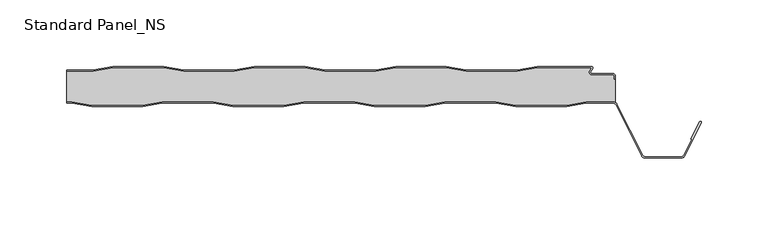
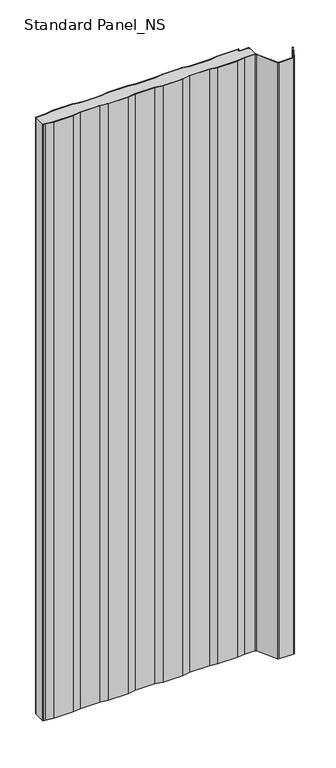
"""IFC4 building model written with IfcOpenShell, lengths in millimetres: proxy geometry, Standard Panel_NS."""

import ifcopenshell
import ifcopenshell.guid

model = None  # the IFC model being written
_history = None  # IfcOwnerHistory: only IFC2X3 demands one
_inside = {}  # id of a spatial element -> (the spatial element, [elements in it])
_under = {}  # id of a project, library or spatial element -> (it, [spatial elements below it])
_declared = {}  # id of a project -> (the project, [libraries it declares])
_typed = {}  # id of a type object -> (the type object, [elements of that type])
_made_of = {}  # id of a material, layer set ... -> (it, [elements and type objects made of it])


def new_model(schema):
    """Start an empty IFC model of exactly this schema.

    Asked for "IFC4X3", IfcOpenShell would pick the latest addendum, in which some entities
    have other attributes; the version numbers below select the first issue.
    IFC2X3 requires an IfcOwnerHistory on every rooted entity: one is made here for all.
    """
    global model, _history
    if schema == "IFC4X3":
        model = ifcopenshell.file(schema_version=(4, 3, 0, 0))
    else:
        model = ifcopenshell.file(schema=schema)
    _inside.clear()
    _under.clear()
    _declared.clear()
    _typed.clear()
    _made_of.clear()
    _history = None
    if model.schema == "IFC2X3":
        org = make("IfcOrganization", Name="unknown")
        user = make(
            "IfcPersonAndOrganization",
            ThePerson=make("IfcPerson", FamilyName="unknown"),
            TheOrganization=org,
        )
        app = make(
            "IfcApplication",
            ApplicationDeveloper=org,
            Version="unknown",
            ApplicationFullName="unknown",
            ApplicationIdentifier="unknown",
        )
        _history = make(
            "IfcOwnerHistory",
            OwningUser=user,
            OwningApplication=app,
            ChangeAction="ADDED",
            CreationDate=0,
        )
    return model


def make(cls, **values):
    """One entity of the class cls with the attributes given. An attribute that is None is left unset."""
    return model.create_entity(
        cls, **{name: value for name, value in values.items() if value is not None}
    )


def rooted(cls, **values):
    """An entity with a GlobalId (a new one), such as an element, a storey or a relation."""
    return make(cls, GlobalId=ifcopenshell.guid.new(), OwnerHistory=_history, **values)


def si_unit(unit_type, name, prefix=None):
    """IfcSIUnit, for example si_unit("LENGTHUNIT", "METRE", prefix="MILLI")."""
    return make("IfcSIUnit", UnitType=unit_type, Prefix=prefix, Name=name)


def assignment(units):
    """IfcUnitAssignment: the units of a project."""
    return None if units is None else make("IfcUnitAssignment", Units=units)


def point(xyz):
    """IfcCartesianPoint."""
    return None if xyz is None else make("IfcCartesianPoint", Coordinates=xyz)


def direction(xyz):
    """IfcDirection."""
    return None if xyz is None else make("IfcDirection", DirectionRatios=xyz)


def frame(location, z_axis=None, x_axis=None):
    """IfcAxis2Placement3D, a coordinate frame: its origin and axes. An axis left out is left unset."""
    return make(
        "IfcAxis2Placement3D",
        Location=point(location),
        Axis=direction(z_axis),
        RefDirection=direction(x_axis),
    )


def frame_2d(location, x_axis=None):
    """IfcAxis2Placement2D, a coordinate frame in the plane: its origin and x axis."""
    return make(
        "IfcAxis2Placement2D", Location=point(location), RefDirection=direction(x_axis)
    )


def origin():
    """The frame at (0, 0, 0) with its axes left unset."""
    return frame((0.0, 0.0, 0.0))


def origin_with_axes():
    """The frame at (0, 0, 0) with the z axis (0, 0, 1) and the x axis (1, 0, 0) written out."""
    return frame((0.0, 0.0, 0.0), z_axis=(0.0, 0.0, 1.0), x_axis=(1.0, 0.0, 0.0))


def place(relative_to, where):
    """IfcLocalPlacement: puts the frame where relative to a parent placement (None: the world)."""
    return make(
        "IfcLocalPlacement", PlacementRelTo=relative_to, RelativePlacement=where
    )


def context(
    kind, dimensions, precision=None, world=None, true_north=None, identifier=None
):
    """IfcGeometricRepresentationContext, for example the 3D "Model" context."""
    return make(
        "IfcGeometricRepresentationContext",
        ContextIdentifier=identifier,
        ContextType=kind,
        CoordinateSpaceDimension=dimensions,
        Precision=precision,
        WorldCoordinateSystem=world,
        TrueNorth=true_north,
    )


def project(units=None, contexts=None):
    """IfcProject with its units and contexts."""
    return rooted(
        "IfcProject",
        Name="project",
        RepresentationContexts=contexts,
        UnitsInContext=assignment(units),
    )


def spatial(cls, under=None, at=None, **own):
    """A site, building, storey or space (cls), placed at a placement, below another one or the project."""
    s = rooted(cls, ObjectPlacement=at, **own)
    if under is not None:
        _under.setdefault(under.id(), (under, []))[1].append(s)
    return s


def polyline(points):
    """IfcPolyline through the points."""
    return make("IfcPolyline", Points=[point(p) for p in points])


def circle_curve(where, radius):
    """IfcCircle in the frame where."""
    return make("IfcCircle", Position=where, Radius=radius)


def trimmed(basis, trim1, trim2, sense, master):
    """IfcTrimmedCurve: the piece of a basis curve between two trims."""
    return make(
        "IfcTrimmedCurve",
        BasisCurve=basis,
        Trim1=trim1,
        Trim2=trim2,
        SenseAgreement=sense,
        MasterRepresentation=master,
    )


def segment(curve, same_sense, transition):
    """IfcCompositeCurveSegment."""
    return make(
        "IfcCompositeCurveSegment",
        Transition=transition,
        SameSense=same_sense,
        ParentCurve=curve,
    )


def composite_curve(segments, self_intersect=None):
    """IfcCompositeCurve: segments joined end to end."""
    return make("IfcCompositeCurve", Segments=segments, SelfIntersect=self_intersect)


def outline(outer, holes=None, kind="AREA"):
    """IfcArbitraryClosedProfileDef: a profile drawn as a closed curve; with holes, ...WithVoids."""
    if holes is None:
        return make("IfcArbitraryClosedProfileDef", ProfileType=kind, OuterCurve=outer)
    return make(
        "IfcArbitraryProfileDefWithVoids",
        ProfileType=kind,
        OuterCurve=outer,
        InnerCurves=holes,
    )


def extrude(swept, where, along, depth):
    """IfcExtrudedAreaSolid: the profile swept, set in the frame where, extruded along a direction by depth."""
    return make(
        "IfcExtrudedAreaSolid",
        SweptArea=swept,
        Position=where,
        ExtrudedDirection=direction(along),
        Depth=depth,
    )


def shape(context_of_items, identifier, shape_type, items):
    """IfcShapeRepresentation: the items that make up one representation, for example the "Body"."""
    return make(
        "IfcShapeRepresentation",
        ContextOfItems=context_of_items,
        RepresentationIdentifier=identifier,
        RepresentationType=shape_type,
        Items=items,
    )


def source(mapping_origin, context_of_items, identifier, shape_type, items):
    """IfcRepresentationMap: a shape defined once, which mapped items show again and again."""
    return make(
        "IfcRepresentationMap",
        MappingOrigin=mapping_origin,
        MappedRepresentation=shape(context_of_items, identifier, shape_type, items),
    )


def transform(
    local_origin,
    x_axis=None,
    y_axis=None,
    z_axis=None,
    scale=None,
    scale2=None,
    scale3=None,
    uniform=True,
):
    """IfcCartesianTransformationOperator3D, or its non-uniform kind. x_axis, y_axis, z_axis: its Axis1, 2, 3."""
    if uniform:
        return make(
            "IfcCartesianTransformationOperator3D",
            Axis1=direction(x_axis),
            Axis2=direction(y_axis),
            LocalOrigin=point(local_origin),
            Scale=scale,
            Axis3=direction(z_axis),
        )
    return make(
        "IfcCartesianTransformationOperator3DnonUniform",
        Axis1=direction(x_axis),
        Axis2=direction(y_axis),
        LocalOrigin=point(local_origin),
        Scale=scale,
        Axis3=direction(z_axis),
        Scale2=scale2,
        Scale3=scale3,
    )


def mapped(mapping_source, mapping_target):
    """IfcMappedItem: shows the shape of a source again, moved by a transform."""
    return make(
        "IfcMappedItem", MappingSource=mapping_source, MappingTarget=mapping_target
    )


def made_of(thing, what):
    """Note that an element or type object is made of a material, layer set ...; save() writes the relation."""
    if what is not None:
        _made_of.setdefault(what.id(), (what, []))[1].append(thing)
    return thing


def element(
    cls,
    number,
    at=None,
    inside=None,
    cuts=None,
    type_object=None,
    material=None,
    context=None,
    identifier="Body",
    shape_type=None,
    held_by="IfcProductDefinitionShape",
    body=None,
    shapes=None,
    **own,
):
    """One element of the class cls, such as IfcWall. Its Tag is "e" and its number.

    at: its placement. inside: the storey or other place that contains it. cuts: it is an
    opening in that element (IfcRelVoidsElement). A single representation is given by context,
    identifier, shape_type and body (its items); several are given by shapes. held_by: the class
    of the entity that holds the representations. save() writes the other relations.
    """
    e = rooted(cls, Tag="e%d" % number, ObjectPlacement=at, **own)
    if body is not None:
        shapes = [shape(context, identifier, shape_type, body)]
    if shapes is not None:
        e.Representation = make(held_by, Representations=shapes)
    if inside is not None:
        _inside.setdefault(inside.id(), (inside, []))[1].append(e)
    if cuts is not None:
        rooted(
            "IfcRelVoidsElement", RelatingBuildingElement=cuts, RelatedOpeningElement=e
        )
    if type_object is not None:
        _typed.setdefault(type_object.id(), (type_object, []))[1].append(e)
    return made_of(e, material)


def aggregate(whole, parts):
    """IfcRelAggregates: a whole, such as a stair, and the parts it consists of."""
    return rooted("IfcRelAggregates", RelatingObject=whole, RelatedObjects=parts)


def save(model, path):
    """Write the relations noted so far, then the file.

    IfcRelAggregates (storeys below a building ...), IfcRelContainedInSpatialStructure (elements
    in a storey), IfcRelDefinesByType, IfcRelAssociatesMaterial and IfcRelDeclares: one each for
    every whole, place, type object, material and project.
    """
    for whole, parts in _under.values():
        aggregate(whole, parts)
    for where, things in _inside.values():
        rooted(
            "IfcRelContainedInSpatialStructure",
            RelatedElements=things,
            RelatingStructure=where,
        )
    for kind, things in _typed.values():
        rooted("IfcRelDefinesByType", RelatedObjects=things, RelatingType=kind)
    for what, things in _made_of.values():
        rooted("IfcRelAssociatesMaterial", RelatedObjects=things, RelatingMaterial=what)
    for by, libraries in _declared.values():
        rooted("IfcRelDeclares", RelatingContext=by, RelatedDefinitions=libraries)
    model.write(path)


def plane_surface(at):
    """IfcPlane: the flat surface through the origin of the frame at, square to its z axis."""
    return make("IfcPlane", Position=at)


def cylinder_surface(at, radius):
    """IfcCylindricalSurface: all points at the distance radius from the z axis of the frame at."""
    return make("IfcCylindricalSurface", Position=at, Radius=radius)


def revolved_surface(curve, axis_point, axis_direction):
    """IfcSurfaceOfRevolution: the curve turned about the line through axis_point along axis_direction."""
    return make(
        "IfcSurfaceOfRevolution",
        SweptCurve=make("IfcArbitraryOpenProfileDef", ProfileType="CURVE", Curve=curve),
        AxisPosition=make("IfcAxis1Placement", Location=point(axis_point), Axis=direction(axis_direction)),
    )


def advanced_brep(points, edges, surfaces, faces):
    """IfcAdvancedBrep: a solid bounded by faces that lie on surfaces and meet in shared edges.

    An edge is (start, end): straight between two places in points (the first is 0);
    or (start, end, curve); or (start, end, curve, False) where it runs against its curve.
    A face is (place in surfaces, loops), or (place, loops, False) where it looks against
    its surface's normal. A loop lists edges by number (the first is 1), with a minus sign
    where the edge is run from its end to its start. The first loop is the outer one.
    """
    corners = [point(p) for p in points]
    vertices = [make("IfcVertexPoint", VertexGeometry=c) for c in corners]
    made = []
    for start, end, *more in edges:
        made.append(
            make(
                "IfcEdgeCurve",
                EdgeStart=vertices[start],
                EdgeEnd=vertices[end],
                EdgeGeometry=more[0] if more else make("IfcPolyline", Points=[corners[start], corners[end]]),
                SameSense=more[1] if len(more) > 1 else True,
            )
        )
    hull = []
    for where, loops, *sense in faces:
        bounds = []
        for j, loop in enumerate(loops):
            ring = [make("IfcOrientedEdge", EdgeElement=made[abs(k) - 1], Orientation=k > 0) for k in loop]
            bounds.append(
                make(
                    "IfcFaceOuterBound" if j == 0 else "IfcFaceBound",
                    Bound=make("IfcEdgeLoop", EdgeList=ring),
                    Orientation=True,
                )
            )
        hull.append(make("IfcAdvancedFace", Bounds=bounds, FaceSurface=surfaces[where], SameSense=sense[0] if sense else True))
    return make("IfcAdvancedBrep", Outer=make("IfcClosedShell", CfsFaces=hull))


def standard_panel_ns_79fda772(model_context):
    return source(origin(), model_context, "Body", "SolidModel", [
        extrude(outline(composite_curve([segment(polyline([(-203.6028864, -3.3), (-223.4042607, -3.3), (-223.4042607, -2.5), (-203.6690964, -2.5), (-188.6690964, 0.0), (-150.6690964, 0.0), (-135.6690964, -2.5), (-97.6690964, -2.5), (-82.6690964, 0.0), (-44.6690964, 0.0), (-29.6690964, -2.5), (8.3309036, -2.5), (23.3309036, 0.0), (61.3309036, 0.0), (76.3309036, -2.5), (114.3309036, -2.5), (129.3309036, 0.0), (170.1370388, 0.0)]), True, "CONTINUOUS"), segment(trimmed(circle_curve(frame_2d((170.1370388, -1.0)), 1.0), [point((170.1370388, 0.0))], [point((170.9759217, -1.5443119))], False, "CARTESIAN"), True, "CONTINUOUS"), segment(polyline([(170.9759217, -1.5443119), (169.5409513, -3.7558601)]), True, "CONTINUOUS"), segment(trimmed(circle_curve(frame_2d((170.3798342, -4.3001721)), 1.0), [point((169.5409513, -3.7558601))], [point((170.3798342, -5.3001721))], True, "CARTESIAN"), True, "CONTINUOUS"), segment(polyline([(170.3798342, -5.3001721), (185.9659043, -5.3001721)]), True, "CONTINUOUS"), segment(trimmed(circle_curve(frame_2d((185.9659043, -7.4001714)), 2.0999993), [point((185.9659043, -5.3001721))], [point((188.0659036, -7.4001714))], False, "CARTESIAN"), True, "CONTINUOUS"), segment(polyline([(188.0659036, -7.4001714), (188.0659036, -9.4001722), (187.2659036, -9.4001722), (187.2659036, -7.4001714)]), True, "CONTINUOUS"), segment(trimmed(circle_curve(frame_2d((185.9659043, -7.4001714)), 1.2999993), [point((187.2659036, -7.4001714))], [point((185.9659043, -6.1001721))], True, "CARTESIAN"), True, "CONTINUOUS"), segment(polyline([(185.9659043, -6.1001721), (170.3798342, -6.1001721)]), True, "CONTINUOUS"), segment(trimmed(circle_curve(frame_2d((170.3798342, -4.3001721)), 1.8), [point((170.3798342, -6.1001721))], [point((168.869845, -3.3204106))], False, "CARTESIAN"), True, "CONTINUOUS"), segment(polyline([(168.869845, -3.3204106), (170.5052217, -0.8), (129.3971136, -0.8), (114.3971136, -3.3), (76.2646936, -3.3), (61.2646936, -0.8), (23.3971136, -0.8), (8.3971136, -3.3), (-29.7353064, -3.3), (-44.7353064, -0.8), (-82.6028864, -0.8), (-97.6028864, -3.3), (-135.7353064, -3.3), (-150.7353064, -0.8), (-188.6028864, -0.8), (-203.6028864, -3.3)]), True, "CONTINUOUS")], self_intersect=False)), origin_with_axes(), (0.0, 0.0, 1.0), 1219.2),
        extrude(outline(composite_curve([segment(polyline([(-219.5261524, -27.5), (-223.4042607, -27.5), (-223.4042607, -26.7), (-219.4592357, -26.7), (-204.6198427, -29.2), (-166.5446313, -29.2), (-151.7052383, -26.7), (-113.4592357, -26.7), (-98.6198427, -29.2), (-60.5446313, -29.2), (-45.7052383, -26.7), (-7.4592357, -26.7), (7.3801573, -29.2), (45.4553687, -29.2), (60.2947617, -26.7), (98.5407643, -26.7), (113.3801573, -29.2), (151.4553687, -29.2), (166.2947617, -26.7), (186.5082999, -26.7)]), True, "CONTINUOUS"), segment(trimmed(circle_curve(frame_2d((186.5082999, -29.8)), 3.1), [point((186.5082999, -26.7))], [point((189.28232, -28.4162325))], False, "CARTESIAN"), True, "CONTINUOUS"), segment(polyline([(189.28232, -28.4162325), (208.4846117, -66.910808)]), True, "CONTINUOUS"), segment(trimmed(circle_curve(frame_2d((209.8268795, -66.241243)), 1.5), [point((208.4846117, -66.910808))], [point((209.8268795, -67.741243))], True, "CARTESIAN"), True, "CONTINUOUS"), segment(polyline([(209.8268795, -67.741243), (237.9816419, -67.741243)]), True, "CONTINUOUS"), segment(trimmed(circle_curve(frame_2d((237.9816419, -66.241243)), 1.5), [point((237.9816419, -67.741243))], [point((239.3236176, -66.9113932))], True, "CARTESIAN"), True, "CONTINUOUS"), segment(polyline([(239.3236176, -66.9113932), (245.3896952, -54.7640727), (244.6739749, -54.4066593), (251.018063, -41.7026227)]), True, "CONTINUOUS"), segment(trimmed(circle_curve(frame_2d((251.7337834, -42.0600361)), 0.8), [point((251.018063, -41.7026227))], [point((252.4495038, -42.4174495))], False, "CARTESIAN"), True, "CONTINUOUS"), segment(polyline([(252.4495038, -42.4174495), (240.039338, -67.2688066)]), True, "CONTINUOUS"), segment(trimmed(circle_curve(frame_2d((237.9816419, -66.241243)), 2.3), [point((240.039338, -67.2688066))], [point((237.9816419, -68.541243))], False, "CARTESIAN"), True, "CONTINUOUS"), segment(polyline([(237.9816419, -68.541243), (209.8268795, -68.541243)]), True, "CONTINUOUS"), segment(trimmed(circle_curve(frame_2d((209.8268795, -66.241243)), 2.3), [point((209.8268795, -68.541243))], [point((207.7687355, -67.2679093))], False, "CARTESIAN"), True, "CONTINUOUS"), segment(polyline([(207.7687355, -67.2679093), (188.5664438, -28.7733338)]), True, "CONTINUOUS"), segment(trimmed(circle_curve(frame_2d((186.5082999, -29.8)), 2.3), [point((188.5664438, -28.7733338))], [point((186.5082999, -27.5))], True, "CARTESIAN"), True, "CONTINUOUS"), segment(polyline([(186.5082999, -27.5), (166.3616785, -27.5), (151.5222854, -30.0), (113.3132406, -30.0), (98.4738476, -27.5), (60.3616785, -27.5), (45.5222854, -30.0), (7.3132406, -30.0), (-7.5261524, -27.5), (-45.6383215, -27.5), (-60.4777146, -30.0), (-98.6867594, -30.0), (-113.5261524, -27.5), (-151.6383215, -27.5), (-166.4777146, -30.0), (-204.6867594, -30.0), (-219.5261524, -27.5)]), True, "CONTINUOUS")], self_intersect=False)), origin_with_axes(), (0.0, 0.0, 1.0), 1219.2),
        advanced_brep(
        [(188.136916, -27.1622719, 1219.2), (188.1042607, -9.4, 1219.2), (187.2659036, -9.4, 1219.2), (187.2659036, -7.4001714, 1219.2), (185.9659043, -6.1001721, 1219.2), (170.3798342, -6.1001721, 1219.2), (168.869845, -3.3204106, 1219.2), (170.5052217, -0.8, 1219.2), (129.3971136, -0.8, 1219.2), (114.3971136, -3.3, 1219.2), (76.2646936, -3.3, 1219.2), (61.2646936, -0.8, 1219.2), (23.3971136, -0.8, 1219.2), (8.3971136, -3.3, 1219.2), (-29.7353064, -3.3, 1219.2), (-44.7353064, -0.8, 1219.2), (-82.6028864, -0.8, 1219.2), (-97.6028864, -3.3, 1219.2), (-135.7353064, -3.3, 1219.2), (-150.7353064, -0.8, 1219.2), (-188.6028864, -0.8, 1219.2), (-203.6028864, -3.3, 1219.2), (-223.4042607, -3.3, 1219.2), (-223.4042607, -26.7, 1219.2), (-219.4592357, -26.7, 1219.2), (-204.6198427, -29.2, 1219.2), (-166.5446313, -29.2, 1219.2), (-151.7052383, -26.7, 1219.2), (-113.4592357, -26.7, 1219.2), (-98.6198427, -29.2, 1219.2), (-60.5446313, -29.2, 1219.2), (-45.7052383, -26.7, 1219.2), (-7.4592357, -26.7, 1219.2), (7.3801573, -29.2, 1219.2), (45.4553687, -29.2, 1219.2), (60.2947617, -26.7, 1219.2), (98.5407643, -26.7, 1219.2), (113.3801573, -29.2, 1219.2), (151.4553687, -29.2, 1219.2), (166.2947617, -26.7, 1219.2), (186.5082999, -26.7, 1219.2), (-219.4592357, -26.7, 0.0), (-223.4042607, -26.7, 0.0), (-223.4042607, -3.3, 0.0), (-203.6028864, -3.3, 0.0), (-188.6028864, -0.8, 0.0), (-150.7353064, -0.8, 0.0), (-135.7353064, -3.3, 0.0), (-97.6028864, -3.3, 0.0), (-82.6028864, -0.8, 0.0), (-44.7353064, -0.8, 0.0), (-29.7353064, -3.3, 0.0), (8.3971136, -3.3, 0.0), (23.3971136, -0.8, 0.0), (61.2646936, -0.8, 0.0), (76.2646936, -3.3, 0.0), (114.3971136, -3.3, 0.0), (129.3971136, -0.8, 0.0), (170.5052217, -0.8, 0.0), (168.869845, -3.3204106, 0.0), (170.3798342, -6.1001721, 0.0), (185.9659043, -6.1001721, 0.0), (187.2659036, -7.4001714, 0.0), (187.2659036, -9.4001722, 0.0), (188.1042607, -9.4, 0.0), (188.136916, -27.1622719, 0.0), (186.5082999, -26.7, 0.0), (166.2947617, -26.7, 0.0), (151.4553687, -29.2, 0.0), (113.3801573, -29.2, 0.0), (98.5407643, -26.7, 0.0), (60.2947617, -26.7, 0.0), (45.4553687, -29.2, 0.0), (7.3801573, -29.2, 0.0), (-7.4592357, -26.7, 0.0), (-45.7052383, -26.7, 0.0), (-60.5446313, -29.2, 0.0), (-98.6198427, -29.2, 0.0), (-113.4592357, -26.7, 0.0), (-151.7052383, -26.7, 0.0), (-166.5446313, -29.2, 0.0), (-204.6198427, -29.2, 0.0)],
        [
            (0, 1),
            (1, 2),
            (2, 3),
            (3, 4, circle_curve(frame((185.9659043, -7.4001714, 1219.2), z_axis=(0.0, 0.0, 1.0), x_axis=(-1.0, 0.0, 0.0)), 1.2999993)),
            (4, 5),
            (5, 6, circle_curve(frame((170.3798342, -4.3001721, 1219.2), z_axis=(0.0, 0.0, -1.0), x_axis=(-1.0, 0.0, 0.0)), 1.8)),
            (6, 7),
            (7, 8),
            (8, 9),
            (9, 10),
            (10, 11),
            (11, 12),
            (12, 13),
            (13, 14),
            (14, 15),
            (15, 16),
            (16, 17),
            (17, 18),
            (18, 19),
            (19, 20),
            (20, 21),
            (21, 22),
            (22, 23),
            (23, 24),
            (24, 25),
            (25, 26),
            (26, 27),
            (27, 28),
            (28, 29),
            (29, 30),
            (30, 31),
            (31, 32),
            (32, 33),
            (33, 34),
            (34, 35),
            (35, 36),
            (36, 37),
            (37, 38),
            (38, 39),
            (39, 40),
            (40, 0, circle_curve(frame((186.5082999, -29.8, 1219.2), z_axis=(0.0, 0.0, -1.0), x_axis=(-1.0, 0.0, 0.0)), 3.1)),
            (41, 42),
            (42, 43),
            (43, 44),
            (44, 45),
            (45, 46),
            (46, 47),
            (47, 48),
            (48, 49),
            (49, 50),
            (50, 51),
            (51, 52),
            (52, 53),
            (53, 54),
            (54, 55),
            (55, 56),
            (56, 57),
            (57, 58),
            (58, 59),
            (59, 60, circle_curve(frame((170.3798342, -4.3001721, 0.0), z_axis=(0.0, 0.0, 1.0), x_axis=(-1.0, 0.0, 0.0)), 1.8)),
            (60, 61),
            (61, 62, circle_curve(frame((185.9659043, -7.4001714, 0.0), z_axis=(0.0, 0.0, -1.0), x_axis=(-1.0, 0.0, 0.0)), 1.2999993)),
            (62, 63),
            (63, 64),
            (64, 65),
            (65, 66, circle_curve(frame((186.5082999, -29.8, 0.0), z_axis=(0.0, 0.0, 1.0), x_axis=(-1.0, 0.0, 0.0)), 3.1)),
            (66, 67),
            (67, 68),
            (68, 69),
            (69, 70),
            (70, 71),
            (71, 72),
            (72, 73),
            (73, 74),
            (74, 75),
            (75, 76),
            (76, 77),
            (77, 78),
            (78, 79),
            (79, 80),
            (80, 81),
            (81, 41),
            (64, 1),
            (0, 65),
            (40, 66),
            (39, 67),
            (38, 68),
            (37, 69),
            (36, 70),
            (35, 71),
            (34, 72),
            (33, 73),
            (32, 74),
            (31, 75),
            (30, 76),
            (29, 77),
            (28, 78),
            (27, 79),
            (26, 80),
            (25, 81),
            (24, 41),
            (23, 42),
            (63, 2),
            (43, 22),
            (21, 44),
            (20, 45),
            (19, 46),
            (18, 47),
            (17, 48),
            (16, 49),
            (15, 50),
            (14, 51),
            (13, 52),
            (12, 53),
            (11, 54),
            (10, 55),
            (9, 56),
            (8, 57),
            (7, 58),
            (6, 59),
            (5, 60),
            (4, 61),
            (3, 62),
        ],
        [
            plane_surface(frame((-276.0957393, -29.2, 1219.2), z_axis=(0.0, 0.0, 1.0), x_axis=(0.0, -1.0, 0.0))),
            plane_surface(frame((-276.0957393, -29.2, 0.0), z_axis=(0.0, 0.0, -1.0), x_axis=(0.0, -1.0, 0.0))),
            plane_surface(frame((188.136916, -24.25, 1219.2), z_axis=(1.0, 0.0, 0.0), x_axis=(0.0, 0.0, -1.0))),
            revolved_surface(polyline([(183.4082999, -29.8, 0.0), (183.4082999, -29.8, 1219.2)]), (186.5082999, -29.8, 1219.2), (0.0, 0.0, -1.0)),
            plane_surface(frame((186.5082999, -26.7, 1219.2), z_axis=(0.0, -1.0, 0.0), x_axis=(0.0, 0.0, -1.0))),
            plane_surface(frame((166.2947617, -26.7, 1219.2), z_axis=(0.16612942863435848, -0.9861039564577467, 0.0), x_axis=(0.0, 0.0, -1.0))),
            plane_surface(frame((151.4553687, -29.2, 1219.2), z_axis=(0.0, -1.0, 0.0), x_axis=(0.0, 0.0, -1.0))),
            plane_surface(frame((113.3801573, -29.2, 1219.2), z_axis=(-0.16612942863454067, -0.9861039564577161, 0.0), x_axis=(0.0, 0.0, -1.0))),
            plane_surface(frame((98.5407643, -26.7, 1219.2), z_axis=(0.0, -1.0, 0.0), x_axis=(0.0, 0.0, -1.0))),
            plane_surface(frame((60.2947617, -26.7, 1219.2), z_axis=(0.1661294286345235, -0.986103956457719, 0.0), x_axis=(0.0, 0.0, -1.0))),
            plane_surface(frame((45.4553687, -29.2, 1219.2), z_axis=(0.0, -1.0, 0.0), x_axis=(0.0, 0.0, -1.0))),
            plane_surface(frame((7.3801573, -29.2, 1219.2), z_axis=(-0.16612942863454067, -0.9861039564577161, 0.0), x_axis=(0.0, 0.0, -1.0))),
            plane_surface(frame((-7.4592357, -26.7, 1219.2), z_axis=(0.0, -1.0, 0.0), x_axis=(0.0, 0.0, -1.0))),
            plane_surface(frame((-45.7052383, -26.7, 1219.2), z_axis=(0.16612942863435848, -0.9861039564577467, 0.0), x_axis=(0.0, 0.0, -1.0))),
            plane_surface(frame((-60.5446313, -29.2, 1219.2), z_axis=(0.0, -1.0, 0.0), x_axis=(0.0, 0.0, -1.0))),
            plane_surface(frame((-98.6198427, -29.2, 1219.2), z_axis=(-0.16612942863472926, -0.9861039564576843, 0.0), x_axis=(0.0, 0.0, -1.0))),
            plane_surface(frame((-113.4592357, -26.7, 1219.2), z_axis=(0.0, -1.0, 0.0), x_axis=(0.0, 0.0, -1.0))),
            plane_surface(frame((-151.7052383, -26.7, 1219.2), z_axis=(0.1661294286345235, -0.986103956457719, 0.0), x_axis=(0.0, 0.0, -1.0))),
            plane_surface(frame((-166.5446313, -29.2, 1219.2), z_axis=(0.0, -1.0, 0.0), x_axis=(0.0, 0.0, -1.0))),
            plane_surface(frame((-204.6198427, -29.2, 1219.2), z_axis=(-0.16612942863435204, -0.9861039564577478, 0.0), x_axis=(0.0, 0.0, -1.0))),
            plane_surface(frame((-219.4592357, -26.7, 1219.2), z_axis=(0.0, -1.0, 0.0), x_axis=(0.0, 0.0, -1.0))),
            plane_surface(frame((-811.8956486, -9.4, 1219.2), z_axis=(0.0, 1.0, 0.0), x_axis=(0.0, 0.0, -1.0))),
            plane_surface(frame((-241.7353064, -3.3, 1219.2), z_axis=(0.0, 1.0, 0.0), x_axis=(0.0, 0.0, -1.0))),
            plane_surface(frame((-203.6028864, -3.3, 1219.2), z_axis=(-0.1643989873053467, 0.9863939238321456, 0.0), x_axis=(0.0, 0.0, -1.0))),
            plane_surface(frame((-188.6028864, -0.8, 1219.2), z_axis=(0.0, 1.0, 0.0), x_axis=(0.0, 0.0, -1.0))),
            plane_surface(frame((-150.7353064, -0.8, 1219.2), z_axis=(0.1643989873053679, 0.9863939238321421, 0.0), x_axis=(0.0, 0.0, -1.0))),
            plane_surface(frame((-135.7353064, -3.3, 1219.2), z_axis=(0.0, 1.0, 0.0), x_axis=(0.0, 0.0, -1.0))),
            plane_surface(frame((-97.6028864, -3.3, 1219.2), z_axis=(-0.1643989873053467, 0.9863939238321456, 0.0), x_axis=(0.0, 0.0, -1.0))),
            plane_surface(frame((-82.6028864, -0.8, 1219.2), z_axis=(0.0, 1.0, 0.0), x_axis=(0.0, 0.0, -1.0))),
            plane_surface(frame((-44.7353064, -0.8, 1219.2), z_axis=(0.16439898730518315, 0.9863939238321728, 0.0), x_axis=(0.0, 0.0, -1.0))),
            plane_surface(frame((-29.7353064, -3.3, 1219.2), z_axis=(0.0, 1.0, 0.0), x_axis=(0.0, 0.0, -1.0))),
            plane_surface(frame((8.3971136, -3.3, 1219.2), z_axis=(-0.1643989873053467, 0.9863939238321456, 0.0), x_axis=(0.0, 0.0, -1.0))),
            plane_surface(frame((23.3971136, -0.8, 1219.2), z_axis=(0.0, 1.0, 0.0), x_axis=(0.0, 0.0, -1.0))),
            plane_surface(frame((61.2646936, -0.8, 1219.2), z_axis=(0.1643989873053679, 0.9863939238321421, 0.0), x_axis=(0.0, 0.0, -1.0))),
            plane_surface(frame((76.2646936, -3.3, 1219.2), z_axis=(0.0, 1.0, 0.0), x_axis=(0.0, 0.0, -1.0))),
            plane_surface(frame((114.3971136, -3.3, 1219.2), z_axis=(-0.16439898730516195, 0.9863939238321764, 0.0), x_axis=(0.0, 0.0, -1.0))),
            plane_surface(frame((129.3971136, -0.8, 1219.2), z_axis=(0.0, 1.0, 0.0), x_axis=(0.0, 0.0, -1.0))),
            plane_surface(frame((170.5052217, -0.8, 1219.2), z_axis=(0.8388828900539764, -0.5443119480359477, 0.0), x_axis=(0.0, 0.0, -1.0))),
            revolved_surface(polyline([(168.5798342, -4.3001721, 0.0), (168.5798342, -4.3001721, 1219.2)]), (170.3798342, -4.3001721, 1219.2), (0.0, 0.0, -1.0)),
            plane_surface(frame((170.3798342, -6.1001721, 1219.2), z_axis=(0.0, 1.0, 0.0), x_axis=(0.0, 0.0, -1.0))),
            cylinder_surface(frame((185.9659043, -7.4001714, 1219.2), z_axis=(0.0, 0.0, 1.0), x_axis=(-1.0, 0.0, 0.0)), 1.2999993),
            plane_surface(frame((187.2659036, -7.4001714, 1219.2), z_axis=(1.0, 0.0, 0.0), x_axis=(0.0, 0.0, -1.0))),
            plane_surface(frame((-223.4042607, 30.0, 1219.2), z_axis=(-1.0, 0.0, 0.0), x_axis=(0.0, 0.0, -1.0))),
        ],
        [
            (0, [[1, 2, 3, 4, 5, 6, 7, 8, 9, 10, 11, 12, 13, 14, 15, 16, 17, 18, 19, 20, 21, 22, 23, 24, 25, 26, 27, 28, 29, 30, 31, 32, 33, 34, 35, 36, 37, 38, 39, 40, 41]]),
            (1, [[42, 43, 44, 45, 46, 47, 48, 49, 50, 51, 52, 53, 54, 55, 56, 57, 58, 59, 60, 61, 62, 63, 64, 65, 66, 67, 68, 69, 70, 71, 72, 73, 74, 75, 76, 77, 78, 79, 80, 81, 82]]),
            (2, [[-65, 83, -1, 84]]),
            (3, [[85, -66, -84, -41]]),
            (4, [[86, -67, -85, -40]]),
            (5, [[87, -68, -86, -39]]),
            (6, [[88, -69, -87, -38]]),
            (7, [[89, -70, -88, -37]]),
            (8, [[90, -71, -89, -36]]),
            (9, [[91, -72, -90, -35]]),
            (10, [[92, -73, -91, -34]]),
            (11, [[93, -74, -92, -33]]),
            (12, [[94, -75, -93, -32]]),
            (13, [[95, -76, -94, -31]]),
            (14, [[96, -77, -95, -30]]),
            (15, [[97, -78, -96, -29]]),
            (16, [[98, -79, -97, -28]]),
            (17, [[99, -80, -98, -27]]),
            (18, [[100, -81, -99, -26]]),
            (19, [[101, -82, -100, -25]]),
            (20, [[-24, 102, -42, -101]]),
            (21, [[-64, 103, -2, -83]]),
            (22, [[-44, 104, -22, 105]]),
            (23, [[106, -45, -105, -21]]),
            (24, [[107, -46, -106, -20]]),
            (25, [[108, -47, -107, -19]]),
            (26, [[109, -48, -108, -18]]),
            (27, [[110, -49, -109, -17]]),
            (28, [[111, -50, -110, -16]]),
            (29, [[112, -51, -111, -15]]),
            (30, [[113, -52, -112, -14]]),
            (31, [[114, -53, -113, -13]]),
            (32, [[115, -54, -114, -12]]),
            (33, [[116, -55, -115, -11]]),
            (34, [[117, -56, -116, -10]]),
            (35, [[118, -57, -117, -9]]),
            (36, [[119, -58, -118, -8]]),
            (37, [[120, -59, -119, -7]]),
            (38, [[121, -60, -120, -6]]),
            (39, [[122, -61, -121, -5]]),
            (40, [[123, -62, -122, -4]]),
            (41, [[-103, -63, -123, -3]]),
            (42, [[-104, -43, -102, -23]]),
        ],
    ),
    ])


if __name__ == "__main__":
    model = new_model("IFC4")
    model_context = context("Model", 3, world=origin())
    ifc_project = project(units=[si_unit("LENGTHUNIT", "METRE", prefix="MILLI")], contexts=[model_context])
    site = spatial("IfcSite", under=ifc_project)
    building = spatial("IfcBuilding", under=site)
    placement = place(None, origin())
    standard_panel_ns_shape = standard_panel_ns_79fda772(model_context)
    element("IfcBuildingElementProxy", 1, Name="Standard Panel_NS", ObjectType="Standard Panel_NS", at=placement, inside=building, context=model_context, shape_type="MappedRepresentation", body=[
        mapped(standard_panel_ns_shape, transform((0.0, 0.0, 0.0), x_axis=(1.0, 0.0, 0.0), y_axis=(0.0, 1.0, 0.0), z_axis=(0.0, 0.0, 1.0))),
    ])
    save(model, "model.ifc")
